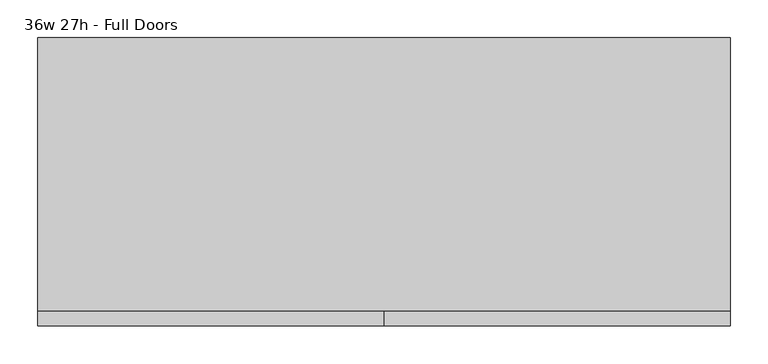
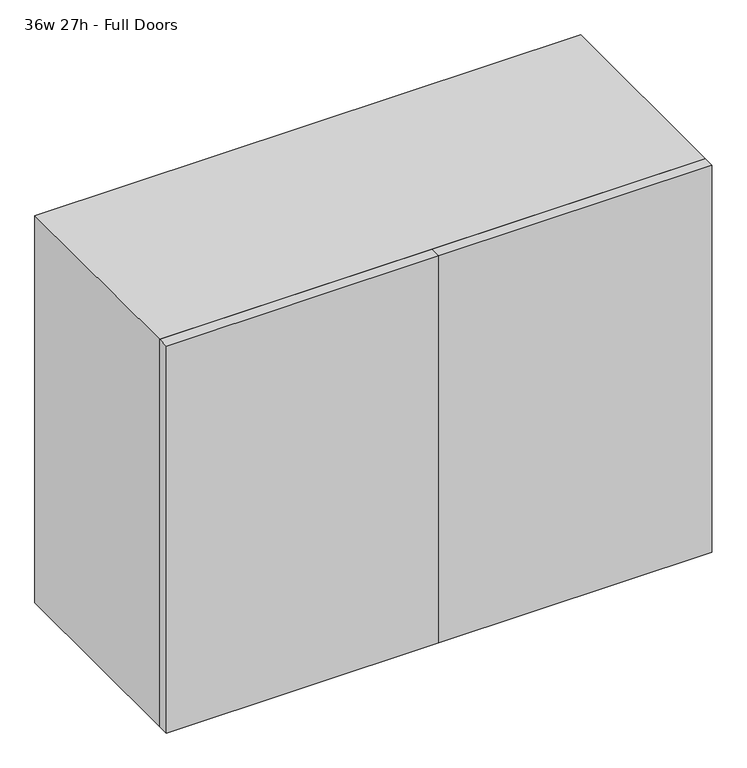
"""IFC4 building model written with IfcOpenShell, lengths in millimetres: furniture geometry, 36w 27h - Full Doors."""

import ifcopenshell
import ifcopenshell.guid

model = None  # the IFC model being written
_history = None  # IfcOwnerHistory: only IFC2X3 demands one
_inside = {}  # id of a spatial element -> (the spatial element, [elements in it])
_under = {}  # id of a project, library or spatial element -> (it, [spatial elements below it])
_declared = {}  # id of a project -> (the project, [libraries it declares])
_typed = {}  # id of a type object -> (the type object, [elements of that type])
_made_of = {}  # id of a material, layer set ... -> (it, [elements and type objects made of it])


def new_model(schema):
    """Start an empty IFC model of exactly this schema.

    Asked for "IFC4X3", IfcOpenShell would pick the latest addendum, in which some entities
    have other attributes; the version numbers below select the first issue.
    IFC2X3 requires an IfcOwnerHistory on every rooted entity: one is made here for all.
    """
    global model, _history
    if schema == "IFC4X3":
        model = ifcopenshell.file(schema_version=(4, 3, 0, 0))
    else:
        model = ifcopenshell.file(schema=schema)
    _inside.clear()
    _under.clear()
    _declared.clear()
    _typed.clear()
    _made_of.clear()
    _history = None
    if model.schema == "IFC2X3":
        org = make("IfcOrganization", Name="unknown")
        user = make(
            "IfcPersonAndOrganization",
            ThePerson=make("IfcPerson", FamilyName="unknown"),
            TheOrganization=org,
        )
        app = make(
            "IfcApplication",
            ApplicationDeveloper=org,
            Version="unknown",
            ApplicationFullName="unknown",
            ApplicationIdentifier="unknown",
        )
        _history = make(
            "IfcOwnerHistory",
            OwningUser=user,
            OwningApplication=app,
            ChangeAction="ADDED",
            CreationDate=0,
        )
    return model


def make(cls, **values):
    """One entity of the class cls with the attributes given. An attribute that is None is left unset."""
    return model.create_entity(
        cls, **{name: value for name, value in values.items() if value is not None}
    )


def rooted(cls, **values):
    """An entity with a GlobalId (a new one), such as an element, a storey or a relation."""
    return make(cls, GlobalId=ifcopenshell.guid.new(), OwnerHistory=_history, **values)


def si_unit(unit_type, name, prefix=None):
    """IfcSIUnit, for example si_unit("LENGTHUNIT", "METRE", prefix="MILLI")."""
    return make("IfcSIUnit", UnitType=unit_type, Prefix=prefix, Name=name)


def assignment(units):
    """IfcUnitAssignment: the units of a project."""
    return None if units is None else make("IfcUnitAssignment", Units=units)


def point(xyz):
    """IfcCartesianPoint."""
    return None if xyz is None else make("IfcCartesianPoint", Coordinates=xyz)


def direction(xyz):
    """IfcDirection."""
    return None if xyz is None else make("IfcDirection", DirectionRatios=xyz)


def frame(location, z_axis=None, x_axis=None):
    """IfcAxis2Placement3D, a coordinate frame: its origin and axes. An axis left out is left unset."""
    return make(
        "IfcAxis2Placement3D",
        Location=point(location),
        Axis=direction(z_axis),
        RefDirection=direction(x_axis),
    )


def origin():
    """The frame at (0, 0, 0) with its axes left unset."""
    return frame((0.0, 0.0, 0.0))


def place(relative_to, where):
    """IfcLocalPlacement: puts the frame where relative to a parent placement (None: the world)."""
    return make(
        "IfcLocalPlacement", PlacementRelTo=relative_to, RelativePlacement=where
    )


def context(
    kind, dimensions, precision=None, world=None, true_north=None, identifier=None
):
    """IfcGeometricRepresentationContext, for example the 3D "Model" context."""
    return make(
        "IfcGeometricRepresentationContext",
        ContextIdentifier=identifier,
        ContextType=kind,
        CoordinateSpaceDimension=dimensions,
        Precision=precision,
        WorldCoordinateSystem=world,
        TrueNorth=true_north,
    )


def project(units=None, contexts=None):
    """IfcProject with its units and contexts."""
    return rooted(
        "IfcProject",
        Name="project",
        RepresentationContexts=contexts,
        UnitsInContext=assignment(units),
    )


def spatial(cls, under=None, at=None, **own):
    """A site, building, storey or space (cls), placed at a placement, below another one or the project."""
    s = rooted(cls, ObjectPlacement=at, **own)
    if under is not None:
        _under.setdefault(under.id(), (under, []))[1].append(s)
    return s


def polyline(points):
    """IfcPolyline through the points."""
    return make("IfcPolyline", Points=[point(p) for p in points])


def outline(outer, holes=None, kind="AREA"):
    """IfcArbitraryClosedProfileDef: a profile drawn as a closed curve; with holes, ...WithVoids."""
    if holes is None:
        return make("IfcArbitraryClosedProfileDef", ProfileType=kind, OuterCurve=outer)
    return make(
        "IfcArbitraryProfileDefWithVoids",
        ProfileType=kind,
        OuterCurve=outer,
        InnerCurves=holes,
    )


def extrude(swept, where, along, depth):
    """IfcExtrudedAreaSolid: the profile swept, set in the frame where, extruded along a direction by depth."""
    return make(
        "IfcExtrudedAreaSolid",
        SweptArea=swept,
        Position=where,
        ExtrudedDirection=direction(along),
        Depth=depth,
    )


def shape(context_of_items, identifier, shape_type, items):
    """IfcShapeRepresentation: the items that make up one representation, for example the "Body"."""
    return make(
        "IfcShapeRepresentation",
        ContextOfItems=context_of_items,
        RepresentationIdentifier=identifier,
        RepresentationType=shape_type,
        Items=items,
    )


def source(mapping_origin, context_of_items, identifier, shape_type, items):
    """IfcRepresentationMap: a shape defined once, which mapped items show again and again."""
    return make(
        "IfcRepresentationMap",
        MappingOrigin=mapping_origin,
        MappedRepresentation=shape(context_of_items, identifier, shape_type, items),
    )


def transform(
    local_origin,
    x_axis=None,
    y_axis=None,
    z_axis=None,
    scale=None,
    scale2=None,
    scale3=None,
    uniform=True,
):
    """IfcCartesianTransformationOperator3D, or its non-uniform kind. x_axis, y_axis, z_axis: its Axis1, 2, 3."""
    if uniform:
        return make(
            "IfcCartesianTransformationOperator3D",
            Axis1=direction(x_axis),
            Axis2=direction(y_axis),
            LocalOrigin=point(local_origin),
            Scale=scale,
            Axis3=direction(z_axis),
        )
    return make(
        "IfcCartesianTransformationOperator3DnonUniform",
        Axis1=direction(x_axis),
        Axis2=direction(y_axis),
        LocalOrigin=point(local_origin),
        Scale=scale,
        Axis3=direction(z_axis),
        Scale2=scale2,
        Scale3=scale3,
    )


def mapped(mapping_source, mapping_target):
    """IfcMappedItem: shows the shape of a source again, moved by a transform."""
    return make(
        "IfcMappedItem", MappingSource=mapping_source, MappingTarget=mapping_target
    )


def made_of(thing, what):
    """Note that an element or type object is made of a material, layer set ...; save() writes the relation."""
    if what is not None:
        _made_of.setdefault(what.id(), (what, []))[1].append(thing)
    return thing


def element(
    cls,
    number,
    at=None,
    inside=None,
    cuts=None,
    type_object=None,
    material=None,
    context=None,
    identifier="Body",
    shape_type=None,
    held_by="IfcProductDefinitionShape",
    body=None,
    shapes=None,
    **own,
):
    """One element of the class cls, such as IfcWall. Its Tag is "e" and its number.

    at: its placement. inside: the storey or other place that contains it. cuts: it is an
    opening in that element (IfcRelVoidsElement). A single representation is given by context,
    identifier, shape_type and body (its items); several are given by shapes. held_by: the class
    of the entity that holds the representations. save() writes the other relations.
    """
    e = rooted(cls, Tag="e%d" % number, ObjectPlacement=at, **own)
    if body is not None:
        shapes = [shape(context, identifier, shape_type, body)]
    if shapes is not None:
        e.Representation = make(held_by, Representations=shapes)
    if inside is not None:
        _inside.setdefault(inside.id(), (inside, []))[1].append(e)
    if cuts is not None:
        rooted(
            "IfcRelVoidsElement", RelatingBuildingElement=cuts, RelatedOpeningElement=e
        )
    if type_object is not None:
        _typed.setdefault(type_object.id(), (type_object, []))[1].append(e)
    return made_of(e, material)


def aggregate(whole, parts):
    """IfcRelAggregates: a whole, such as a stair, and the parts it consists of."""
    return rooted("IfcRelAggregates", RelatingObject=whole, RelatedObjects=parts)


def save(model, path):
    """Write the relations noted so far, then the file.

    IfcRelAggregates (storeys below a building ...), IfcRelContainedInSpatialStructure (elements
    in a storey), IfcRelDefinesByType, IfcRelAssociatesMaterial and IfcRelDeclares: one each for
    every whole, place, type object, material and project.
    """
    for whole, parts in _under.values():
        aggregate(whole, parts)
    for where, things in _inside.values():
        rooted(
            "IfcRelContainedInSpatialStructure",
            RelatedElements=things,
            RelatingStructure=where,
        )
    for kind, things in _typed.values():
        rooted("IfcRelDefinesByType", RelatedObjects=things, RelatingType=kind)
    for what, things in _made_of.values():
        rooted("IfcRelAssociatesMaterial", RelatedObjects=things, RelatingMaterial=what)
    for by, libraries in _declared.values():
        rooted("IfcRelDeclares", RelatingContext=by, RelatedDefinitions=libraries)
    model.write(path)


def furniture_36w_27h_full_doors_081f7215(model_context):
    return source(origin(), model_context, "Body", "SweptSolid", [
        extrude(outline(polyline([(438.1569453, 161.925), (438.1569453, -180.975), (-438.1291641, -180.975), (-438.1291641, 161.925), (438.1569453, 161.925)])), frame((0.0, 0.0, 1190.625), z_axis=(0.0, 0.0, 1.0), x_axis=(1.0, 0.0, 0.0)), (0.0, 0.0, 1.0), 19.05),
        extrude(outline(polyline([(438.1569453, 161.925), (438.1569453, -180.975), (-438.1291641, -180.975), (-438.1291641, 161.925), (438.1569453, 161.925)])), frame((0.0, 0.0, 949.325), z_axis=(0.0, 0.0, 1.0), x_axis=(1.0, 0.0, 0.0)), (0.0, 0.0, 1.0), 19.05),
        extrude(outline(polyline([(0.0138906, -200.025), (0.0138906, -180.975), (457.2138906, -180.975), (457.2138906, -200.025), (0.0138906, -200.025)])), frame((0.0, 0.0, 736.6), z_axis=(0.0, 0.0, 1.0), x_axis=(1.0, 0.0, 0.0)), (0.0, 0.0, 1.0), 685.8),
        extrude(outline(polyline([(0.0138906, -200.025), (-457.1861094, -200.025), (-457.1861094, -180.975), (0.0138906, -180.975), (0.0138906, -200.025)])), frame((0.0, 0.0, 736.6), z_axis=(0.0, 0.0, 1.0), x_axis=(1.0, 0.0, 0.0)), (0.0, 0.0, 1.0), 685.8),
        extrude(outline(polyline([(736.6, -457.1861094), (736.6, 457.2138906), (1422.4, 457.2138906), (1422.4, -457.1861094), (736.6, -457.1861094)]), holes=[polyline([(755.65, -438.1361094), (1403.35, -438.1361094), (1403.35, 438.1569453), (755.65, 438.1569453), (755.65, -438.1361094)])]), frame((0.0, -180.975, 0.0), z_axis=(0.0, 1.0, 0.0), x_axis=(0.0, 0.0, 1.0)), (0.0, 0.0, 1.0), 361.95),
        extrude(outline(polyline([(-438.1291641, 161.925), (-438.1291641, 180.975), (438.1569453, 180.975), (438.1569453, 161.925), (-438.1291641, 161.925)])), frame((0.0, 0.0, 755.65), z_axis=(0.0, 0.0, 1.0), x_axis=(1.0, 0.0, 0.0)), (0.0, 0.0, 1.0), 647.7),
    ])


if __name__ == "__main__":
    model = new_model("IFC4")
    model_context = context("Model", 3, world=origin())
    ifc_project = project(units=[si_unit("LENGTHUNIT", "METRE", prefix="MILLI")], contexts=[model_context])
    site = spatial("IfcSite", under=ifc_project)
    building = spatial("IfcBuilding", under=site)
    placement = place(None, origin())
    furniture_36w_27h_full_doors_shape = furniture_36w_27h_full_doors_081f7215(model_context)
    element("IfcFurniture", 1, ObjectType="36w 27h - Full Doors", at=placement, inside=building, context=model_context, shape_type="MappedRepresentation", body=[
        mapped(furniture_36w_27h_full_doors_shape, transform((0.0, 0.0, 0.0), x_axis=(1.0, 0.0, 0.0), y_axis=(0.0, 1.0, 0.0), z_axis=(0.0, 0.0, 1.0))),
    ])
    save(model, "model.ifc")
